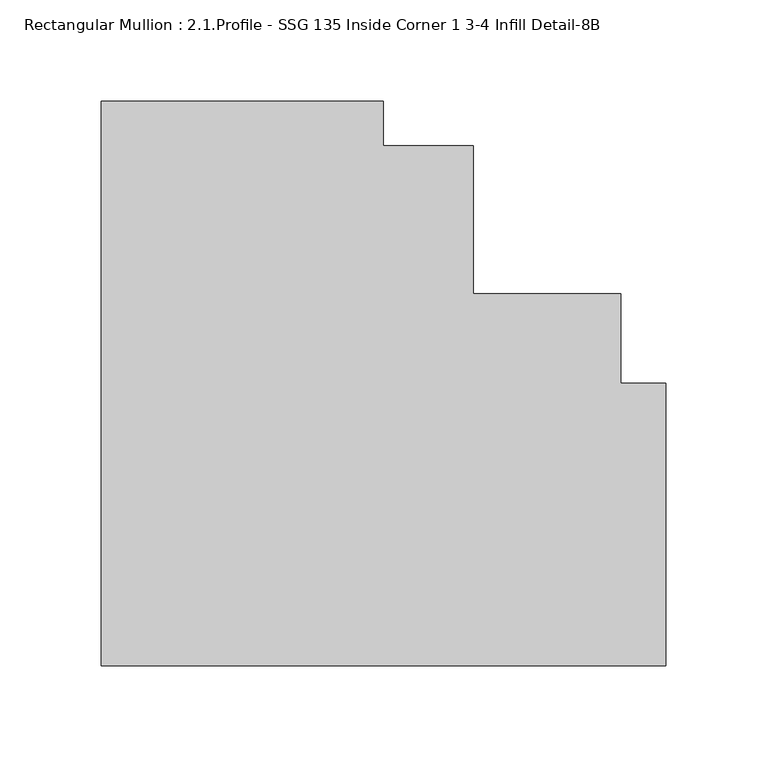
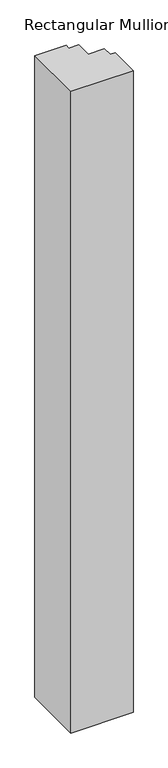
"""IFC4 building model written with IfcOpenShell, lengths in millimetres: member geometry, Rectangular Mullion : 2.1.Profile - SSG 135 Inside Corner 1 3-4 Infill Detail-8B."""

from ifc_helpers import new_model, si_unit, frame, origin, place, context, project, spatial, polyline, outline, extrude, source, transform, mapped, element, save


def rectangular_mullion_2_1_profile_ssg_135_inside_corner_1_3_4_bda71a7e(model_context):
    return source(origin(), model_context, "Body", "SweptSolid", [
        extrude(outline(polyline([(-139.6999926, 172.4907072), (-139.6999926, 150.2658204), (-95.2499982, 150.2658204), (-95.2499982, 77.2407055), (-22.2248868, 77.2407055), (-22.2248868, 32.8106642), (0.0, 32.8106642), (0.0, -106.9092946), (-279.3999982, -106.9092946), (-279.3999982, 172.4907072), (-139.6999926, 172.4907072)])), frame((0.0, 0.0, -3048.0), z_axis=(0.0, 0.0, 1.0), x_axis=(1.0, 0.0, 0.0)), (0.0, 0.0, 1.0), 3048.0),
    ])


if __name__ == "__main__":
    model = new_model("IFC4")
    model_context = context("Model", 3, world=origin())
    ifc_project = project(units=[si_unit("LENGTHUNIT", "METRE", prefix="MILLI")], contexts=[model_context])
    site = spatial("IfcSite", under=ifc_project)
    building = spatial("IfcBuilding", under=site)
    placement = place(None, origin())
    rectangular_mullion_2_1_profile_ssg_135_inside_corner_1_3_4_shape = rectangular_mullion_2_1_profile_ssg_135_inside_corner_1_3_4_bda71a7e(model_context)
    element("IfcMember", 1, ObjectType="Rectangular Mullion : 2.1.Profile - SSG 135 Inside Corner 1 3-4 Infill Detail-8B", at=placement, inside=building, context=model_context, shape_type="MappedRepresentation", body=[
        mapped(rectangular_mullion_2_1_profile_ssg_135_inside_corner_1_3_4_shape, transform((0.0, 0.0, 0.0), x_axis=(1.0, 0.0, 0.0), y_axis=(0.0, 1.0, 0.0), z_axis=(0.0, 0.0, 1.0))),
    ])
    save(model, "model.ifc")
